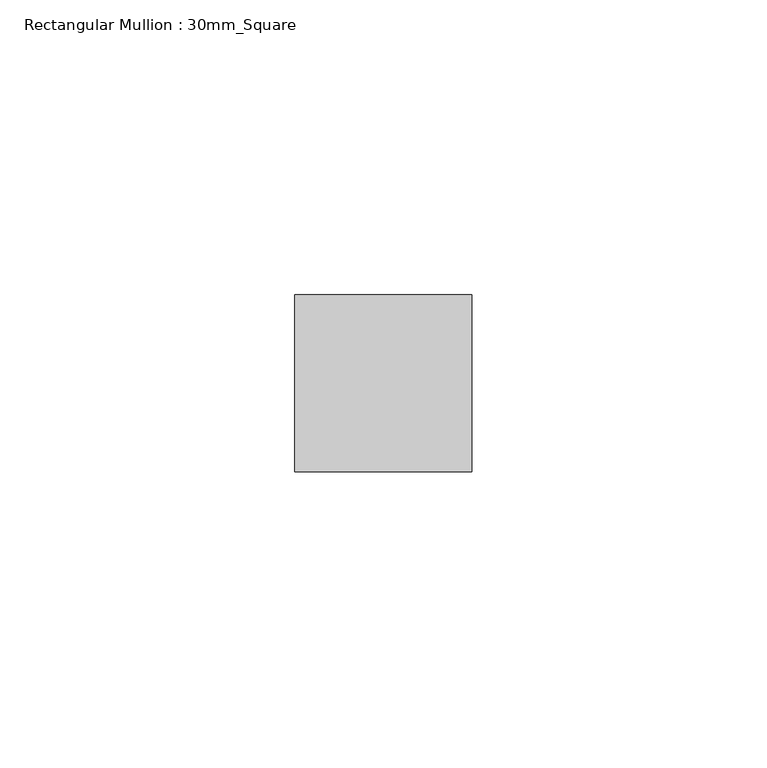
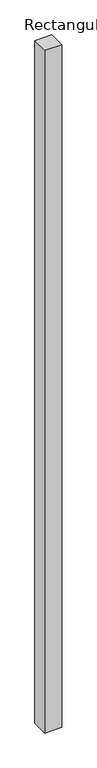
"""IFC4 building model written with IfcOpenShell, lengths in millimetres: member geometry, Rectangular Mullion : 30mm_Square."""

from ifc_helpers import new_model, si_unit, frame, origin, place, context, project, spatial, polyline, outline, extrude, source, transform, mapped, element, save


def rectangular_mullion_30mm_square_0fc00ae4(model_context):
    return source(origin(), model_context, "Body", "SweptSolid", [
        extrude(outline(polyline([(0.0, 15.0), (0.0, -15.0), (-30.0, -15.0), (-30.0, 15.0), (0.0, 15.0)])), frame((0.0, 0.0, -1273.0), z_axis=(0.0, 0.0, 1.0), x_axis=(1.0, 0.0, 0.0)), (0.0, 0.0, 1.0), 1273.0),
    ])


if __name__ == "__main__":
    model = new_model("IFC4")
    model_context = context("Model", 3, world=origin())
    ifc_project = project(units=[si_unit("LENGTHUNIT", "METRE", prefix="MILLI")], contexts=[model_context])
    site = spatial("IfcSite", under=ifc_project)
    building = spatial("IfcBuilding", under=site)
    placement = place(None, origin())
    rectangular_mullion_30mm_square_shape = rectangular_mullion_30mm_square_0fc00ae4(model_context)
    element("IfcMember", 1, ObjectType="Rectangular Mullion : 30mm_Square", at=placement, inside=building, context=model_context, shape_type="MappedRepresentation", body=[
        mapped(rectangular_mullion_30mm_square_shape, transform((0.0, 0.0, 0.0), x_axis=(1.0, 0.0, 0.0), y_axis=(0.0, 1.0, 0.0), z_axis=(0.0, 0.0, 1.0))),
    ])
    save(model, "model.ifc")
